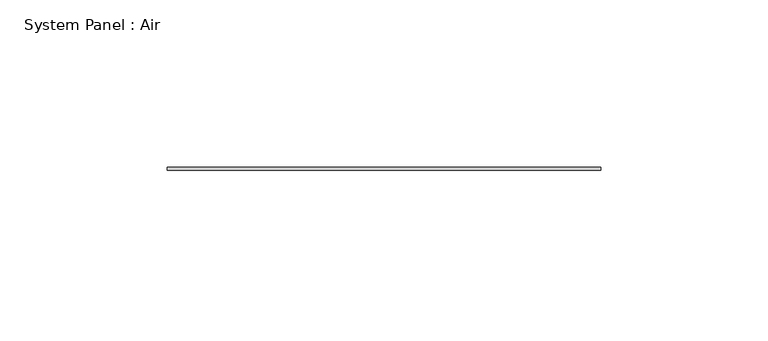
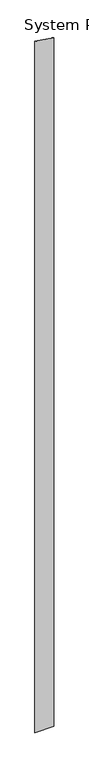
"""IFC4 building model written with IfcOpenShell, lengths in millimetres: plate geometry, System Panel : Air."""

import ifcopenshell
import ifcopenshell.guid

model = None  # the IFC model being written
_history = None  # IfcOwnerHistory: only IFC2X3 demands one
_inside = {}  # id of a spatial element -> (the spatial element, [elements in it])
_under = {}  # id of a project, library or spatial element -> (it, [spatial elements below it])
_declared = {}  # id of a project -> (the project, [libraries it declares])
_typed = {}  # id of a type object -> (the type object, [elements of that type])
_made_of = {}  # id of a material, layer set ... -> (it, [elements and type objects made of it])


def new_model(schema):
    """Start an empty IFC model of exactly this schema.

    Asked for "IFC4X3", IfcOpenShell would pick the latest addendum, in which some entities
    have other attributes; the version numbers below select the first issue.
    IFC2X3 requires an IfcOwnerHistory on every rooted entity: one is made here for all.
    """
    global model, _history
    if schema == "IFC4X3":
        model = ifcopenshell.file(schema_version=(4, 3, 0, 0))
    else:
        model = ifcopenshell.file(schema=schema)
    _inside.clear()
    _under.clear()
    _declared.clear()
    _typed.clear()
    _made_of.clear()
    _history = None
    if model.schema == "IFC2X3":
        org = make("IfcOrganization", Name="unknown")
        user = make(
            "IfcPersonAndOrganization",
            ThePerson=make("IfcPerson", FamilyName="unknown"),
            TheOrganization=org,
        )
        app = make(
            "IfcApplication",
            ApplicationDeveloper=org,
            Version="unknown",
            ApplicationFullName="unknown",
            ApplicationIdentifier="unknown",
        )
        _history = make(
            "IfcOwnerHistory",
            OwningUser=user,
            OwningApplication=app,
            ChangeAction="ADDED",
            CreationDate=0,
        )
    return model


def make(cls, **values):
    """One entity of the class cls with the attributes given. An attribute that is None is left unset."""
    return model.create_entity(
        cls, **{name: value for name, value in values.items() if value is not None}
    )


def rooted(cls, **values):
    """An entity with a GlobalId (a new one), such as an element, a storey or a relation."""
    return make(cls, GlobalId=ifcopenshell.guid.new(), OwnerHistory=_history, **values)


def si_unit(unit_type, name, prefix=None):
    """IfcSIUnit, for example si_unit("LENGTHUNIT", "METRE", prefix="MILLI")."""
    return make("IfcSIUnit", UnitType=unit_type, Prefix=prefix, Name=name)


def assignment(units):
    """IfcUnitAssignment: the units of a project."""
    return None if units is None else make("IfcUnitAssignment", Units=units)


def point(xyz):
    """IfcCartesianPoint."""
    return None if xyz is None else make("IfcCartesianPoint", Coordinates=xyz)


def direction(xyz):
    """IfcDirection."""
    return None if xyz is None else make("IfcDirection", DirectionRatios=xyz)


def frame(location, z_axis=None, x_axis=None):
    """IfcAxis2Placement3D, a coordinate frame: its origin and axes. An axis left out is left unset."""
    return make(
        "IfcAxis2Placement3D",
        Location=point(location),
        Axis=direction(z_axis),
        RefDirection=direction(x_axis),
    )


def origin():
    """The frame at (0, 0, 0) with its axes left unset."""
    return frame((0.0, 0.0, 0.0))


def place(relative_to, where):
    """IfcLocalPlacement: puts the frame where relative to a parent placement (None: the world)."""
    return make(
        "IfcLocalPlacement", PlacementRelTo=relative_to, RelativePlacement=where
    )


def context(
    kind, dimensions, precision=None, world=None, true_north=None, identifier=None
):
    """IfcGeometricRepresentationContext, for example the 3D "Model" context."""
    return make(
        "IfcGeometricRepresentationContext",
        ContextIdentifier=identifier,
        ContextType=kind,
        CoordinateSpaceDimension=dimensions,
        Precision=precision,
        WorldCoordinateSystem=world,
        TrueNorth=true_north,
    )


def project(units=None, contexts=None):
    """IfcProject with its units and contexts."""
    return rooted(
        "IfcProject",
        Name="project",
        RepresentationContexts=contexts,
        UnitsInContext=assignment(units),
    )


def spatial(cls, under=None, at=None, **own):
    """A site, building, storey or space (cls), placed at a placement, below another one or the project."""
    s = rooted(cls, ObjectPlacement=at, **own)
    if under is not None:
        _under.setdefault(under.id(), (under, []))[1].append(s)
    return s


def polyline(points):
    """IfcPolyline through the points."""
    return make("IfcPolyline", Points=[point(p) for p in points])


def outline(outer, holes=None, kind="AREA"):
    """IfcArbitraryClosedProfileDef: a profile drawn as a closed curve; with holes, ...WithVoids."""
    if holes is None:
        return make("IfcArbitraryClosedProfileDef", ProfileType=kind, OuterCurve=outer)
    return make(
        "IfcArbitraryProfileDefWithVoids",
        ProfileType=kind,
        OuterCurve=outer,
        InnerCurves=holes,
    )


def extrude(swept, where, along, depth):
    """IfcExtrudedAreaSolid: the profile swept, set in the frame where, extruded along a direction by depth."""
    return make(
        "IfcExtrudedAreaSolid",
        SweptArea=swept,
        Position=where,
        ExtrudedDirection=direction(along),
        Depth=depth,
    )


def shape(context_of_items, identifier, shape_type, items):
    """IfcShapeRepresentation: the items that make up one representation, for example the "Body"."""
    return make(
        "IfcShapeRepresentation",
        ContextOfItems=context_of_items,
        RepresentationIdentifier=identifier,
        RepresentationType=shape_type,
        Items=items,
    )


def source(mapping_origin, context_of_items, identifier, shape_type, items):
    """IfcRepresentationMap: a shape defined once, which mapped items show again and again."""
    return make(
        "IfcRepresentationMap",
        MappingOrigin=mapping_origin,
        MappedRepresentation=shape(context_of_items, identifier, shape_type, items),
    )


def transform(
    local_origin,
    x_axis=None,
    y_axis=None,
    z_axis=None,
    scale=None,
    scale2=None,
    scale3=None,
    uniform=True,
):
    """IfcCartesianTransformationOperator3D, or its non-uniform kind. x_axis, y_axis, z_axis: its Axis1, 2, 3."""
    if uniform:
        return make(
            "IfcCartesianTransformationOperator3D",
            Axis1=direction(x_axis),
            Axis2=direction(y_axis),
            LocalOrigin=point(local_origin),
            Scale=scale,
            Axis3=direction(z_axis),
        )
    return make(
        "IfcCartesianTransformationOperator3DnonUniform",
        Axis1=direction(x_axis),
        Axis2=direction(y_axis),
        LocalOrigin=point(local_origin),
        Scale=scale,
        Axis3=direction(z_axis),
        Scale2=scale2,
        Scale3=scale3,
    )


def mapped(mapping_source, mapping_target):
    """IfcMappedItem: shows the shape of a source again, moved by a transform."""
    return make(
        "IfcMappedItem", MappingSource=mapping_source, MappingTarget=mapping_target
    )


def made_of(thing, what):
    """Note that an element or type object is made of a material, layer set ...; save() writes the relation."""
    if what is not None:
        _made_of.setdefault(what.id(), (what, []))[1].append(thing)
    return thing


def element(
    cls,
    number,
    at=None,
    inside=None,
    cuts=None,
    type_object=None,
    material=None,
    context=None,
    identifier="Body",
    shape_type=None,
    held_by="IfcProductDefinitionShape",
    body=None,
    shapes=None,
    **own,
):
    """One element of the class cls, such as IfcWall. Its Tag is "e" and its number.

    at: its placement. inside: the storey or other place that contains it. cuts: it is an
    opening in that element (IfcRelVoidsElement). A single representation is given by context,
    identifier, shape_type and body (its items); several are given by shapes. held_by: the class
    of the entity that holds the representations. save() writes the other relations.
    """
    e = rooted(cls, Tag="e%d" % number, ObjectPlacement=at, **own)
    if body is not None:
        shapes = [shape(context, identifier, shape_type, body)]
    if shapes is not None:
        e.Representation = make(held_by, Representations=shapes)
    if inside is not None:
        _inside.setdefault(inside.id(), (inside, []))[1].append(e)
    if cuts is not None:
        rooted(
            "IfcRelVoidsElement", RelatingBuildingElement=cuts, RelatedOpeningElement=e
        )
    if type_object is not None:
        _typed.setdefault(type_object.id(), (type_object, []))[1].append(e)
    return made_of(e, material)


def aggregate(whole, parts):
    """IfcRelAggregates: a whole, such as a stair, and the parts it consists of."""
    return rooted("IfcRelAggregates", RelatingObject=whole, RelatedObjects=parts)


def save(model, path):
    """Write the relations noted so far, then the file.

    IfcRelAggregates (storeys below a building ...), IfcRelContainedInSpatialStructure (elements
    in a storey), IfcRelDefinesByType, IfcRelAssociatesMaterial and IfcRelDeclares: one each for
    every whole, place, type object, material and project.
    """
    for whole, parts in _under.values():
        aggregate(whole, parts)
    for where, things in _inside.values():
        rooted(
            "IfcRelContainedInSpatialStructure",
            RelatedElements=things,
            RelatingStructure=where,
        )
    for kind, things in _typed.values():
        rooted("IfcRelDefinesByType", RelatedObjects=things, RelatingType=kind)
    for what, things in _made_of.values():
        rooted("IfcRelAssociatesMaterial", RelatedObjects=things, RelatingMaterial=what)
    for by, libraries in _declared.values():
        rooted("IfcRelDeclares", RelatingContext=by, RelatedDefinitions=libraries)
    model.write(path)


def system_panel_air_e0c8bff2(model_context):
    return source(origin(), model_context, "Body", "SweptSolid", [
        extrude(outline(polyline([(0.0, -64.8784285), (0.0, 64.8784285), (4992.5840627, 64.8784285), (5011.8172264, -64.8784285), (0.0, -64.8784285)])), frame((0.0, 36.5, 0.0), z_axis=(0.0, 1.0, 0.0), x_axis=(0.0, 0.0, 1.0)), (0.0, 0.0, 1.0), 1.0),
    ])


if __name__ == "__main__":
    model = new_model("IFC4")
    model_context = context("Model", 3, world=origin())
    ifc_project = project(units=[si_unit("LENGTHUNIT", "METRE", prefix="MILLI")], contexts=[model_context])
    site = spatial("IfcSite", under=ifc_project)
    building = spatial("IfcBuilding", under=site)
    placement = place(None, origin())
    system_panel_air_shape = system_panel_air_e0c8bff2(model_context)
    element("IfcPlate", 1, ObjectType="System Panel : Air", at=placement, inside=building, context=model_context, shape_type="MappedRepresentation", body=[
        mapped(system_panel_air_shape, transform((0.0, 0.0, 0.0), x_axis=(1.0, 0.0, 0.0), y_axis=(0.0, 1.0, 0.0), z_axis=(0.0, 0.0, 1.0))),
    ])
    save(model, "model.ifc")
